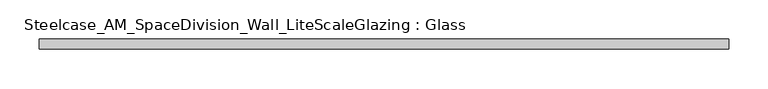
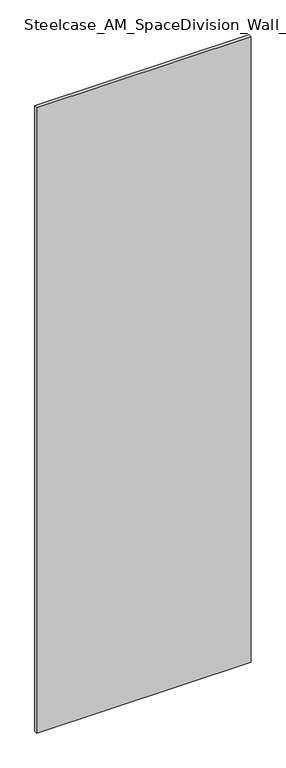
"""IFC4 building model written with IfcOpenShell, lengths in millimetres: plate geometry, Steelcase_AM_SpaceDivision_Wall_LiteScaleGlazing : Glass."""

from ifc_helpers import new_model, si_unit, origin, origin_with_axes, place, context, project, spatial, polyline, outline, extrude, source, transform, mapped, element, save


def steelcase_am_spacedivision_wall_litescaleglazing_glass_7359eaf6(model_context):
    return source(origin(), model_context, "Body", "SweptSolid", [
        extrude(outline(polyline([(-437.0197493, -6.349956), (-437.0197493, 6.3502015), (437.0197493, 6.3502015), (437.0197493, -6.349956), (-437.0197493, -6.349956)])), origin_with_axes(), (0.0, 0.0, 1.0), 2693.924),
    ])


if __name__ == "__main__":
    model = new_model("IFC4")
    model_context = context("Model", 3, world=origin())
    ifc_project = project(units=[si_unit("LENGTHUNIT", "METRE", prefix="MILLI")], contexts=[model_context])
    site = spatial("IfcSite", under=ifc_project)
    building = spatial("IfcBuilding", under=site)
    placement = place(None, origin())
    steelcase_am_spacedivision_wall_litescaleglazing_glass_shape = steelcase_am_spacedivision_wall_litescaleglazing_glass_7359eaf6(model_context)
    element("IfcPlate", 1, ObjectType="Steelcase_AM_SpaceDivision_Wall_LiteScaleGlazing : Glass", at=placement, inside=building, context=model_context, shape_type="MappedRepresentation", body=[
        mapped(steelcase_am_spacedivision_wall_litescaleglazing_glass_shape, transform((0.0, 0.0, 0.0), x_axis=(1.0, 0.0, 0.0), y_axis=(0.0, 1.0, 0.0), z_axis=(0.0, 0.0, 1.0))),
    ])
    save(model, "model.ifc")
